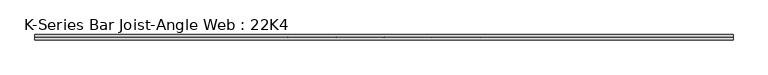
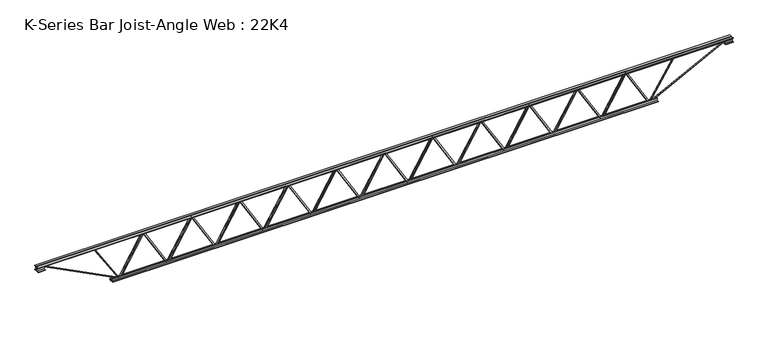
"""IFC4 building model written with IfcOpenShell, lengths in millimetres: beam geometry, K-Series Bar Joist-Angle Web : 22K4."""

import ifcopenshell
import ifcopenshell.guid

model = None  # the IFC model being written
_history = None  # IfcOwnerHistory: only IFC2X3 demands one
_inside = {}  # id of a spatial element -> (the spatial element, [elements in it])
_under = {}  # id of a project, library or spatial element -> (it, [spatial elements below it])
_declared = {}  # id of a project -> (the project, [libraries it declares])
_typed = {}  # id of a type object -> (the type object, [elements of that type])
_made_of = {}  # id of a material, layer set ... -> (it, [elements and type objects made of it])


def new_model(schema):
    """Start an empty IFC model of exactly this schema.

    Asked for "IFC4X3", IfcOpenShell would pick the latest addendum, in which some entities
    have other attributes; the version numbers below select the first issue.
    IFC2X3 requires an IfcOwnerHistory on every rooted entity: one is made here for all.
    """
    global model, _history
    if schema == "IFC4X3":
        model = ifcopenshell.file(schema_version=(4, 3, 0, 0))
    else:
        model = ifcopenshell.file(schema=schema)
    _inside.clear()
    _under.clear()
    _declared.clear()
    _typed.clear()
    _made_of.clear()
    _history = None
    if model.schema == "IFC2X3":
        org = make("IfcOrganization", Name="unknown")
        user = make(
            "IfcPersonAndOrganization",
            ThePerson=make("IfcPerson", FamilyName="unknown"),
            TheOrganization=org,
        )
        app = make(
            "IfcApplication",
            ApplicationDeveloper=org,
            Version="unknown",
            ApplicationFullName="unknown",
            ApplicationIdentifier="unknown",
        )
        _history = make(
            "IfcOwnerHistory",
            OwningUser=user,
            OwningApplication=app,
            ChangeAction="ADDED",
            CreationDate=0,
        )
    return model


def make(cls, **values):
    """One entity of the class cls with the attributes given. An attribute that is None is left unset."""
    return model.create_entity(
        cls, **{name: value for name, value in values.items() if value is not None}
    )


def rooted(cls, **values):
    """An entity with a GlobalId (a new one), such as an element, a storey or a relation."""
    return make(cls, GlobalId=ifcopenshell.guid.new(), OwnerHistory=_history, **values)


def si_unit(unit_type, name, prefix=None):
    """IfcSIUnit, for example si_unit("LENGTHUNIT", "METRE", prefix="MILLI")."""
    return make("IfcSIUnit", UnitType=unit_type, Prefix=prefix, Name=name)


def assignment(units):
    """IfcUnitAssignment: the units of a project."""
    return None if units is None else make("IfcUnitAssignment", Units=units)


def point(xyz):
    """IfcCartesianPoint."""
    return None if xyz is None else make("IfcCartesianPoint", Coordinates=xyz)


def direction(xyz):
    """IfcDirection."""
    return None if xyz is None else make("IfcDirection", DirectionRatios=xyz)


def frame(location, z_axis=None, x_axis=None):
    """IfcAxis2Placement3D, a coordinate frame: its origin and axes. An axis left out is left unset."""
    return make(
        "IfcAxis2Placement3D",
        Location=point(location),
        Axis=direction(z_axis),
        RefDirection=direction(x_axis),
    )


def origin():
    """The frame at (0, 0, 0) with its axes left unset."""
    return frame((0.0, 0.0, 0.0))


def place(relative_to, where):
    """IfcLocalPlacement: puts the frame where relative to a parent placement (None: the world)."""
    return make(
        "IfcLocalPlacement", PlacementRelTo=relative_to, RelativePlacement=where
    )


def context(
    kind, dimensions, precision=None, world=None, true_north=None, identifier=None
):
    """IfcGeometricRepresentationContext, for example the 3D "Model" context."""
    return make(
        "IfcGeometricRepresentationContext",
        ContextIdentifier=identifier,
        ContextType=kind,
        CoordinateSpaceDimension=dimensions,
        Precision=precision,
        WorldCoordinateSystem=world,
        TrueNorth=true_north,
    )


def project(units=None, contexts=None):
    """IfcProject with its units and contexts."""
    return rooted(
        "IfcProject",
        Name="project",
        RepresentationContexts=contexts,
        UnitsInContext=assignment(units),
    )


def spatial(cls, under=None, at=None, **own):
    """A site, building, storey or space (cls), placed at a placement, below another one or the project."""
    s = rooted(cls, ObjectPlacement=at, **own)
    if under is not None:
        _under.setdefault(under.id(), (under, []))[1].append(s)
    return s


def polyline(points):
    """IfcPolyline through the points."""
    return make("IfcPolyline", Points=[point(p) for p in points])


def outline(outer, holes=None, kind="AREA"):
    """IfcArbitraryClosedProfileDef: a profile drawn as a closed curve; with holes, ...WithVoids."""
    if holes is None:
        return make("IfcArbitraryClosedProfileDef", ProfileType=kind, OuterCurve=outer)
    return make(
        "IfcArbitraryProfileDefWithVoids",
        ProfileType=kind,
        OuterCurve=outer,
        InnerCurves=holes,
    )


def extrude(swept, where, along, depth):
    """IfcExtrudedAreaSolid: the profile swept, set in the frame where, extruded along a direction by depth."""
    return make(
        "IfcExtrudedAreaSolid",
        SweptArea=swept,
        Position=where,
        ExtrudedDirection=direction(along),
        Depth=depth,
    )


def faces_of(points, faces, orient=None, outer=None):
    """IfcFace entities. A face is a list of loops; a loop is a list of indices into points, from 0.

    orient and outer hold one flag for each loop. By default every Orientation is true, the
    first loop of a face is its IfcFaceOuterBound and the others are IfcFaceBound.
    """
    made = []
    for i, loops in enumerate(faces):
        bounds = []
        for j, loop in enumerate(loops):
            is_outer = j == 0 if outer is None else outer[i][j]
            bounds.append(
                make(
                    "IfcFaceOuterBound" if is_outer else "IfcFaceBound",
                    Bound=make("IfcPolyLoop", Polygon=[points[k] for k in loop]),
                    Orientation=True if orient is None else orient[i][j],
                )
            )
        made.append(make("IfcFace", Bounds=bounds))
    return made


def faceted_brep(points, faces, orient=None, outer=None, voids=None):
    """IfcFacetedBrep: a solid bounded by flat faces; with voids (closed shells), ...WithVoids."""
    shared = [point(p) for p in points]
    hull = make("IfcClosedShell", CfsFaces=faces_of(shared, faces, orient, outer))
    if voids is None:
        return make("IfcFacetedBrep", Outer=hull)
    return make(
        "IfcFacetedBrepWithVoids",
        Outer=hull,
        Voids=[
            make(cls, CfsFaces=faces_of(shared, fs, o, b)) for cls, fs, o, b in voids
        ],
    )


def shape(context_of_items, identifier, shape_type, items):
    """IfcShapeRepresentation: the items that make up one representation, for example the "Body"."""
    return make(
        "IfcShapeRepresentation",
        ContextOfItems=context_of_items,
        RepresentationIdentifier=identifier,
        RepresentationType=shape_type,
        Items=items,
    )


def source(mapping_origin, context_of_items, identifier, shape_type, items):
    """IfcRepresentationMap: a shape defined once, which mapped items show again and again."""
    return make(
        "IfcRepresentationMap",
        MappingOrigin=mapping_origin,
        MappedRepresentation=shape(context_of_items, identifier, shape_type, items),
    )


def transform(
    local_origin,
    x_axis=None,
    y_axis=None,
    z_axis=None,
    scale=None,
    scale2=None,
    scale3=None,
    uniform=True,
):
    """IfcCartesianTransformationOperator3D, or its non-uniform kind. x_axis, y_axis, z_axis: its Axis1, 2, 3."""
    if uniform:
        return make(
            "IfcCartesianTransformationOperator3D",
            Axis1=direction(x_axis),
            Axis2=direction(y_axis),
            LocalOrigin=point(local_origin),
            Scale=scale,
            Axis3=direction(z_axis),
        )
    return make(
        "IfcCartesianTransformationOperator3DnonUniform",
        Axis1=direction(x_axis),
        Axis2=direction(y_axis),
        LocalOrigin=point(local_origin),
        Scale=scale,
        Axis3=direction(z_axis),
        Scale2=scale2,
        Scale3=scale3,
    )


def mapped(mapping_source, mapping_target):
    """IfcMappedItem: shows the shape of a source again, moved by a transform."""
    return make(
        "IfcMappedItem", MappingSource=mapping_source, MappingTarget=mapping_target
    )


def made_of(thing, what):
    """Note that an element or type object is made of a material, layer set ...; save() writes the relation."""
    if what is not None:
        _made_of.setdefault(what.id(), (what, []))[1].append(thing)
    return thing


def element(
    cls,
    number,
    at=None,
    inside=None,
    cuts=None,
    type_object=None,
    material=None,
    context=None,
    identifier="Body",
    shape_type=None,
    held_by="IfcProductDefinitionShape",
    body=None,
    shapes=None,
    **own,
):
    """One element of the class cls, such as IfcWall. Its Tag is "e" and its number.

    at: its placement. inside: the storey or other place that contains it. cuts: it is an
    opening in that element (IfcRelVoidsElement). A single representation is given by context,
    identifier, shape_type and body (its items); several are given by shapes. held_by: the class
    of the entity that holds the representations. save() writes the other relations.
    """
    e = rooted(cls, Tag="e%d" % number, ObjectPlacement=at, **own)
    if body is not None:
        shapes = [shape(context, identifier, shape_type, body)]
    if shapes is not None:
        e.Representation = make(held_by, Representations=shapes)
    if inside is not None:
        _inside.setdefault(inside.id(), (inside, []))[1].append(e)
    if cuts is not None:
        rooted(
            "IfcRelVoidsElement", RelatingBuildingElement=cuts, RelatedOpeningElement=e
        )
    if type_object is not None:
        _typed.setdefault(type_object.id(), (type_object, []))[1].append(e)
    return made_of(e, material)


def aggregate(whole, parts):
    """IfcRelAggregates: a whole, such as a stair, and the parts it consists of."""
    return rooted("IfcRelAggregates", RelatingObject=whole, RelatedObjects=parts)


def save(model, path):
    """Write the relations noted so far, then the file.

    IfcRelAggregates (storeys below a building ...), IfcRelContainedInSpatialStructure (elements
    in a storey), IfcRelDefinesByType, IfcRelAssociatesMaterial and IfcRelDeclares: one each for
    every whole, place, type object, material and project.
    """
    for whole, parts in _under.values():
        aggregate(whole, parts)
    for where, things in _inside.values():
        rooted(
            "IfcRelContainedInSpatialStructure",
            RelatedElements=things,
            RelatingStructure=where,
        )
    for kind, things in _typed.values():
        rooted("IfcRelDefinesByType", RelatedObjects=things, RelatingType=kind)
    for what, things in _made_of.values():
        rooted("IfcRelAssociatesMaterial", RelatedObjects=things, RelatingMaterial=what)
    for by, libraries in _declared.values():
        rooted("IfcRelDeclares", RelatingContext=by, RelatedDefinitions=libraries)
    model.write(path)


def k_series_bar_joist_angle_web_22k4_2be9bba6(model_context):
    return source(origin(), model_context, "Body", "SolidModel", [
        extrude(outline(polyline([(-4.7625, 4.7625), (-4.7625, 0.0), (-17.4625, 0.0), (-17.4625, 4.7625), (-4.7625, 4.7625)])), frame((2918.6057691, 0.0, -241.3), z_axis=(-0.50881562940005, 0.0, 0.8608755167143686), x_axis=(0.0, -1.0, 0.0)), (0.0, 0.0, 1.0), 560.592084),
        extrude(outline(polyline([(-276.225, 2951.0326136), (-257.175, 2951.0326136), (-257.175, 2950.1172334), (276.225, 2634.8541653), (276.225, 2616.7195455), (257.175, 2616.7195455), (257.175, 2623.9849257), (-276.225, 2939.2479938), (-276.225, 2951.0326136)])), frame((0.0, 0.0, 0.0), z_axis=(0.0, 1.0, 0.0), x_axis=(0.0, 0.0, 1.0)), (0.0, 0.0, 1.0), 4.7625),
        faceted_brep([(2295.1064773, 0.0, -257.175), (2295.1064773, 0.0, -276.225), (2295.1064773, -4.7625, -276.225), (2295.1064773, -4.7625, -257.175), (2296.0218575, 0.0, -257.175), (2611.2849257, 0.0, 276.225), (2629.4195455, 0.0, 276.225), (2629.4195455, 0.0, 257.175), (2622.1541653, 0.0, 257.175), (2306.8910971, 0.0, -276.225), (2306.8910971, -4.7625, -276.225), (2327.5333218, -4.7625, -241.3), (2323.4334021, -4.7625, -238.8767656), (2608.6714162, -4.7625, 243.7232344), (2612.7713358, -4.7625, 241.3), (2622.1541653, -4.7625, 257.175), (2629.4195455, -4.7625, 257.175), (2629.4195455, -4.7625, 276.225), (2611.2849257, -4.7625, 276.225), (2296.0218575, -4.7625, -257.175), (2612.7713358, -17.4625, 241.3), (2327.5333218, -17.4625, -241.3), (2323.4334021, -17.4625, -238.8767656), (2608.6714162, -17.4625, 243.7232344)], [[[0, 1, 2, 3]], [[1, 0, 4, 5, 6, 7, 8, 9]], [[2, 1, 9, 10]], [[3, 2, 10, 11, 12, 13, 14, 15, 16, 17, 18, 19]], [[0, 3, 19, 4]], [[9, 8, 15, 14, 20, 21, 11, 10]], [[5, 4, 19, 18]], [[7, 6, 17, 16]], [[8, 7, 16, 15]], [[6, 5, 18, 17]], [[21, 22, 12, 11]], [[20, 14, 13, 23]], [[22, 21, 20, 23]], [[12, 22, 23, 13]]]),
        extrude(outline(polyline([(-4.7625, 4.7624999), (-4.7625, 0.0), (-17.4625, 0.0), (-17.4625, 4.7624999), (-4.7625, 4.7624999)])), frame((2262.8383828, 0.0, -241.3), z_axis=(-0.50881562940005, 0.0, 0.8608755167143686), x_axis=(0.0, -1.0, 0.0)), (0.0, 0.0, 1.0), 560.592084),
        extrude(outline(polyline([(-276.225, 2295.2652273), (-257.175, 2295.2652273), (-257.175, 2294.3498471), (276.225, 1979.0867789), (276.225, 1960.9521591), (257.175, 1960.9521591), (257.175, 1968.2175393), (-276.225, 2283.4806075), (-276.225, 2295.2652273)])), frame((0.0, 0.0, 0.0), z_axis=(0.0, 1.0, 0.0), x_axis=(0.0, 0.0, 1.0)), (0.0, 0.0, 1.0), 4.7625),
        faceted_brep([(1639.3390909, 0.0, -257.175), (1639.3390909, 0.0, -276.225), (1639.3390909, -4.7625, -276.225), (1639.3390909, -4.7625, -257.175), (1640.2544711, 0.0, -257.175), (1955.5175393, 0.0, 276.225), (1973.6521591, 0.0, 276.225), (1973.6521591, 0.0, 257.175), (1966.3867789, 0.0, 257.175), (1651.1237107, 0.0, -276.225), (1651.1237107, -4.7625, -276.225), (1671.7659354, -4.7625, -241.3), (1667.6660158, -4.7625, -238.8767656), (1952.9040298, -4.7625, 243.7232344), (1957.0039495, -4.7625, 241.3), (1966.3867789, -4.7625, 257.175), (1973.6521591, -4.7625, 257.175), (1973.6521591, -4.7625, 276.225), (1955.5175393, -4.7625, 276.225), (1640.2544711, -4.7625, -257.175), (1957.0039495, -17.4625, 241.3), (1671.7659354, -17.4625, -241.3), (1667.6660158, -17.4625, -238.8767656), (1952.9040298, -17.4625, 243.7232344)], [[[0, 1, 2, 3]], [[1, 0, 4, 5, 6, 7, 8, 9]], [[2, 1, 9, 10]], [[3, 2, 10, 11, 12, 13, 14, 15, 16, 17, 18, 19]], [[0, 3, 19, 4]], [[9, 8, 15, 14, 20, 21, 11, 10]], [[5, 4, 19, 18]], [[7, 6, 17, 16]], [[8, 7, 16, 15]], [[6, 5, 18, 17]], [[21, 22, 12, 11]], [[20, 14, 13, 23]], [[22, 21, 20, 23]], [[12, 22, 23, 13]]]),
        extrude(outline(polyline([(-4.7625, 4.7625), (-4.7625, 0.0), (-17.4625, 0.0), (-17.4625, 4.7625), (-4.7625, 4.7625)])), frame((1607.0709964, 0.0, -241.3), z_axis=(-0.50881562940005, 0.0, 0.8608755167143686), x_axis=(0.0, -1.0, 0.0)), (0.0, 0.0, 1.0), 560.592084),
        extrude(outline(polyline([(-276.225, 1639.4978409), (-257.175, 1639.4978409), (-257.175, 1638.5824607), (276.225, 1323.3193925), (276.225, 1305.1847727), (257.175, 1305.1847727), (257.175, 1312.4501529), (-276.225, 1627.7132211), (-276.225, 1639.4978409)])), frame((0.0, 0.0, 0.0), z_axis=(0.0, 1.0, 0.0), x_axis=(0.0, 0.0, 1.0)), (0.0, 0.0, 1.0), 4.7625),
        faceted_brep([(983.5717045, 0.0, -257.175), (983.5717045, 0.0, -276.225), (983.5717045, -4.7625, -276.225), (983.5717045, -4.7625, -257.175), (984.4870847, 0.0, -257.175), (1299.7501529, 0.0, 276.225), (1317.8847727, 0.0, 276.225), (1317.8847727, 0.0, 257.175), (1310.6193925, 0.0, 257.175), (995.3563243, 0.0, -276.225), (995.3563243, -4.7625, -276.225), (1015.998549, -4.7625, -241.3), (1011.8986294, -4.7625, -238.8767656), (1297.1366435, -4.7625, 243.7232344), (1301.2365631, -4.7625, 241.3), (1310.6193925, -4.7625, 257.175), (1317.8847727, -4.7625, 257.175), (1317.8847727, -4.7625, 276.225), (1299.7501529, -4.7625, 276.225), (984.4870847, -4.7625, -257.175), (1301.2365631, -17.4625, 241.3), (1015.998549, -17.4625, -241.3), (1011.8986294, -17.4625, -238.8767656), (1297.1366435, -17.4625, 243.7232344)], [[[0, 1, 2, 3]], [[1, 0, 4, 5, 6, 7, 8, 9]], [[2, 1, 9, 10]], [[3, 2, 10, 11, 12, 13, 14, 15, 16, 17, 18, 19]], [[0, 3, 19, 4]], [[9, 8, 15, 14, 20, 21, 11, 10]], [[5, 4, 19, 18]], [[7, 6, 17, 16]], [[8, 7, 16, 15]], [[6, 5, 18, 17]], [[21, 22, 12, 11]], [[20, 14, 13, 23]], [[22, 21, 20, 23]], [[12, 22, 23, 13]]]),
        extrude(outline(polyline([(-4.7625, 4.7625), (-4.7625, 0.0), (-17.4625, 0.0), (-17.4625, 4.7625), (-4.7625, 4.7625)])), frame((951.30361, 0.0, -241.3), z_axis=(-0.50881562940005, 0.0, 0.8608755167143686), x_axis=(0.0, -1.0, 0.0)), (0.0, 0.0, 1.0), 560.592084),
        extrude(outline(polyline([(-276.225, 983.7304545), (-257.175, 983.7304545), (-257.175, 982.8150743), (276.225, 667.5520062), (276.225, 649.4173864), (257.175, 649.4173864), (257.175, 656.6827666), (-276.225, 971.9458347), (-276.225, 983.7304545)])), frame((0.0, 0.0, 0.0), z_axis=(0.0, 1.0, 0.0), x_axis=(0.0, 0.0, 1.0)), (0.0, 0.0, 1.0), 4.7625),
        faceted_brep([(327.8043182, 0.0, -257.175), (327.8043182, 0.0, -276.225), (327.8043182, -4.7625, -276.225), (327.8043182, -4.7625, -257.175), (328.7196984, 0.0, -257.175), (643.9827666, 0.0, 276.225), (662.1173864, 0.0, 276.225), (662.1173864, 0.0, 257.175), (654.8520062, 0.0, 257.175), (339.588938, 0.0, -276.225), (339.588938, -4.7625, -276.225), (360.2311627, -4.7625, -241.3), (356.131243, -4.7625, -238.8767656), (641.3692571, -4.7625, 243.7232344), (645.4691768, -4.7625, 241.3), (654.8520062, -4.7625, 257.175), (662.1173864, -4.7625, 257.175), (662.1173864, -4.7625, 276.225), (643.9827666, -4.7625, 276.225), (328.7196984, -4.7625, -257.175), (645.4691768, -17.4625, 241.3), (360.2311627, -17.4625, -241.3), (356.131243, -17.4625, -238.8767656), (641.3692571, -17.4625, 243.7232344)], [[[0, 1, 2, 3]], [[1, 0, 4, 5, 6, 7, 8, 9]], [[2, 1, 9, 10]], [[3, 2, 10, 11, 12, 13, 14, 15, 16, 17, 18, 19]], [[0, 3, 19, 4]], [[9, 8, 15, 14, 20, 21, 11, 10]], [[5, 4, 19, 18]], [[7, 6, 17, 16]], [[8, 7, 16, 15]], [[6, 5, 18, 17]], [[21, 22, 12, 11]], [[20, 14, 13, 23]], [[22, 21, 20, 23]], [[12, 22, 23, 13]]]),
        extrude(outline(polyline([(-4.7625, 4.7624999), (-4.7625, 0.0), (-17.4625, 0.0), (-17.4625, 4.7624999), (-4.7625, 4.7624999)])), frame((295.5362237, 0.0, -241.3), z_axis=(-0.50881562940005, 0.0, 0.8608755167143686), x_axis=(0.0, -1.0, 0.0)), (0.0, 0.0, 1.0), 560.592084),
        extrude(outline(polyline([(-276.225, 327.9630682), (-257.175, 327.9630682), (-257.175, 327.047688), (276.225, 11.7846198), (276.225, -6.35), (257.175, -6.35), (257.175, 0.9153802), (-276.225, 316.1784484), (-276.225, 327.9630682)])), frame((0.0, 0.0, 0.0), z_axis=(0.0, 1.0, 0.0), x_axis=(0.0, 0.0, 1.0)), (0.0, 0.0, 1.0), 4.7625),
        faceted_brep([(-327.9630682, 0.0, -257.175), (-327.9630682, 0.0, -276.225), (-327.9630682, -4.7625, -276.225), (-327.9630682, -4.7625, -257.175), (-327.047688, 0.0, -257.175), (-11.7846198, 0.0, 276.225), (6.35, 0.0, 276.225), (6.35, 0.0, 257.175), (-0.9153802, 0.0, 257.175), (-316.1784484, 0.0, -276.225), (-316.1784484, -4.7625, -276.225), (-295.5362237, -4.7625, -241.3), (-299.6361433, -4.7625, -238.8767656), (-14.3981293, -4.7625, 243.7232344), (-10.2982096, -4.7625, 241.3), (-0.9153802, -4.7625, 257.175), (6.35, -4.7625, 257.175), (6.35, -4.7625, 276.225), (-11.7846198, -4.7625, 276.225), (-327.047688, -4.7625, -257.175), (-10.2982096, -17.4625, 241.3), (-295.5362237, -17.4625, -241.3), (-299.6361433, -17.4625, -238.8767656), (-14.3981293, -17.4625, 243.7232344)], [[[0, 1, 2, 3]], [[1, 0, 4, 5, 6, 7, 8, 9]], [[2, 1, 9, 10]], [[3, 2, 10, 11, 12, 13, 14, 15, 16, 17, 18, 19]], [[0, 3, 19, 4]], [[9, 8, 15, 14, 20, 21, 11, 10]], [[5, 4, 19, 18]], [[7, 6, 17, 16]], [[8, 7, 16, 15]], [[6, 5, 18, 17]], [[21, 22, 12, 11]], [[20, 14, 13, 23]], [[22, 21, 20, 23]], [[12, 22, 23, 13]]]),
        extrude(outline(polyline([(-4.7625, 4.7625), (-4.7625, 0.0), (-17.4625, 0.0), (-17.4625, 4.7625), (-4.7625, 4.7625)])), frame((-360.2311627, 0.0, -241.3), z_axis=(-0.50881562940005, 0.0, 0.8608755167143686), x_axis=(0.0, -1.0, 0.0)), (0.0, 0.0, 1.0), 560.592084),
        extrude(outline(polyline([(-276.225, -327.8043182), (-257.175, -327.8043182), (-257.175, -328.7196984), (276.225, -643.9827666), (276.225, -662.1173864), (257.175, -662.1173864), (257.175, -654.8520062), (-276.225, -339.588938), (-276.225, -327.8043182)])), frame((0.0, 0.0, 0.0), z_axis=(0.0, 1.0, 0.0), x_axis=(0.0, 0.0, 1.0)), (0.0, 0.0, 1.0), 4.7625),
        faceted_brep([(-983.7304545, 0.0, -257.175), (-983.7304545, 0.0, -276.225), (-983.7304545, -4.7625, -276.225), (-983.7304545, -4.7625, -257.175), (-982.8150743, 0.0, -257.175), (-667.5520062, 0.0, 276.225), (-649.4173864, 0.0, 276.225), (-649.4173864, 0.0, 257.175), (-656.6827666, 0.0, 257.175), (-971.9458347, 0.0, -276.225), (-971.9458347, -4.7625, -276.225), (-951.30361, -4.7625, -241.3), (-955.4035297, -4.7625, -238.8767656), (-670.1655156, -4.7625, 243.7232344), (-666.065596, -4.7625, 241.3), (-656.6827666, -4.7625, 257.175), (-649.4173864, -4.7625, 257.175), (-649.4173864, -4.7625, 276.225), (-667.5520062, -4.7625, 276.225), (-982.8150743, -4.7625, -257.175), (-666.065596, -17.4625, 241.3), (-951.30361, -17.4625, -241.3), (-955.4035297, -17.4625, -238.8767656), (-670.1655156, -17.4625, 243.7232344)], [[[0, 1, 2, 3]], [[1, 0, 4, 5, 6, 7, 8, 9]], [[2, 1, 9, 10]], [[3, 2, 10, 11, 12, 13, 14, 15, 16, 17, 18, 19]], [[0, 3, 19, 4]], [[9, 8, 15, 14, 20, 21, 11, 10]], [[5, 4, 19, 18]], [[7, 6, 17, 16]], [[8, 7, 16, 15]], [[6, 5, 18, 17]], [[21, 22, 12, 11]], [[20, 14, 13, 23]], [[22, 21, 20, 23]], [[12, 22, 23, 13]]]),
        extrude(outline(polyline([(-4.7625, 4.7624999), (-4.7625, 0.0), (-17.4625, 0.0), (-17.4625, 4.7624999), (-4.7625, 4.7624999)])), frame((-1015.998549, 0.0, -241.3), z_axis=(-0.50881562940005, 0.0, 0.8608755167143686), x_axis=(0.0, -1.0, 0.0)), (0.0, 0.0, 1.0), 560.592084),
        extrude(outline(polyline([(-276.225, -983.5717045), (-257.175, -983.5717045), (-257.175, -984.4870847), (276.225, -1299.7501529), (276.225, -1317.8847727), (257.175, -1317.8847727), (257.175, -1310.6193925), (-276.225, -995.3563243), (-276.225, -983.5717045)])), frame((0.0, 0.0, 0.0), z_axis=(0.0, 1.0, 0.0), x_axis=(0.0, 0.0, 1.0)), (0.0, 0.0, 1.0), 4.7625),
        faceted_brep([(-1639.4978409, 0.0, -257.175), (-1639.4978409, 0.0, -276.225), (-1639.4978409, -4.7625, -276.225), (-1639.4978409, -4.7625, -257.175), (-1638.5824607, 0.0, -257.175), (-1323.3193925, 0.0, 276.225), (-1305.1847727, 0.0, 276.225), (-1305.1847727, 0.0, 257.175), (-1312.4501529, 0.0, 257.175), (-1627.7132211, 0.0, -276.225), (-1627.7132211, -4.7625, -276.225), (-1607.0709964, -4.7625, -241.3), (-1611.1709161, -4.7625, -238.8767656), (-1325.932902, -4.7625, 243.7232344), (-1321.8329823, -4.7625, 241.3), (-1312.4501529, -4.7625, 257.175), (-1305.1847727, -4.7625, 257.175), (-1305.1847727, -4.7625, 276.225), (-1323.3193925, -4.7625, 276.225), (-1638.5824607, -4.7625, -257.175), (-1321.8329823, -17.4625, 241.3), (-1607.0709964, -17.4625, -241.3), (-1611.1709161, -17.4625, -238.8767656), (-1325.932902, -17.4625, 243.7232344)], [[[0, 1, 2, 3]], [[1, 0, 4, 5, 6, 7, 8, 9]], [[2, 1, 9, 10]], [[3, 2, 10, 11, 12, 13, 14, 15, 16, 17, 18, 19]], [[0, 3, 19, 4]], [[9, 8, 15, 14, 20, 21, 11, 10]], [[5, 4, 19, 18]], [[7, 6, 17, 16]], [[8, 7, 16, 15]], [[6, 5, 18, 17]], [[21, 22, 12, 11]], [[20, 14, 13, 23]], [[22, 21, 20, 23]], [[12, 22, 23, 13]]]),
        extrude(outline(polyline([(-4.7625, 4.7624999), (-4.7625, 0.0), (-17.4625, 0.0), (-17.4625, 4.7624999), (-4.7625, 4.7624999)])), frame((-1671.7659354, 0.0, -241.3), z_axis=(-0.50881562940005, 0.0, 0.8608755167143686), x_axis=(0.0, -1.0, 0.0)), (0.0, 0.0, 1.0), 560.592084),
        extrude(outline(polyline([(-276.225, -1639.3390909), (-257.175, -1639.3390909), (-257.175, -1640.2544711), (276.225, -1955.5175393), (276.225, -1973.6521591), (257.175, -1973.6521591), (257.175, -1966.3867789), (-276.225, -1651.1237107), (-276.225, -1639.3390909)])), frame((0.0, 0.0, 0.0), z_axis=(0.0, 1.0, 0.0), x_axis=(0.0, 0.0, 1.0)), (0.0, 0.0, 1.0), 4.7625),
        faceted_brep([(-2295.2652273, 0.0, -257.175), (-2295.2652273, 0.0, -276.225), (-2295.2652273, -4.7625, -276.225), (-2295.2652273, -4.7625, -257.175), (-2294.3498471, 0.0, -257.175), (-1979.0867789, 0.0, 276.225), (-1960.9521591, 0.0, 276.225), (-1960.9521591, 0.0, 257.175), (-1968.2175393, 0.0, 257.175), (-2283.4806075, 0.0, -276.225), (-2283.4806075, -4.7625, -276.225), (-2262.8383828, -4.7625, -241.3), (-2266.9383024, -4.7625, -238.8767656), (-1981.7002883, -4.7625, 243.7232344), (-1977.6003687, -4.7625, 241.3), (-1968.2175393, -4.7625, 257.175), (-1960.9521591, -4.7625, 257.175), (-1960.9521591, -4.7625, 276.225), (-1979.0867789, -4.7625, 276.225), (-2294.3498471, -4.7625, -257.175), (-1977.6003687, -17.4625, 241.3), (-2262.8383828, -17.4625, -241.3), (-2266.9383024, -17.4625, -238.8767656), (-1981.7002883, -17.4625, 243.7232344)], [[[0, 1, 2, 3]], [[1, 0, 4, 5, 6, 7, 8, 9]], [[2, 1, 9, 10]], [[3, 2, 10, 11, 12, 13, 14, 15, 16, 17, 18, 19]], [[0, 3, 19, 4]], [[9, 8, 15, 14, 20, 21, 11, 10]], [[5, 4, 19, 18]], [[7, 6, 17, 16]], [[8, 7, 16, 15]], [[6, 5, 18, 17]], [[21, 22, 12, 11]], [[20, 14, 13, 23]], [[22, 21, 20, 23]], [[12, 22, 23, 13]]]),
        extrude(outline(polyline([(-4.7625, 4.7625), (-4.7625, 0.0), (-17.4625, 0.0), (-17.4625, 4.7625), (-4.7625, 4.7625)])), frame((-2327.5333218, 0.0, -241.3), z_axis=(-0.50881562940005, 0.0, 0.8608755167143686), x_axis=(0.0, -1.0, 0.0)), (0.0, 0.0, 1.0), 560.592084),
        extrude(outline(polyline([(-276.225, -2295.1064773), (-257.175, -2295.1064773), (-257.175, -2296.0218575), (276.225, -2611.2849257), (276.225, -2629.4195455), (257.175, -2629.4195455), (257.175, -2622.1541653), (-276.225, -2306.8910971), (-276.225, -2295.1064773)])), frame((0.0, 0.0, 0.0), z_axis=(0.0, 1.0, 0.0), x_axis=(0.0, 0.0, 1.0)), (0.0, 0.0, 1.0), 4.7625),
        faceted_brep([(-2951.0326136, 0.0, -257.175), (-2951.0326136, 0.0, -276.225), (-2951.0326136, -4.7625, -276.225), (-2951.0326136, -4.7625, -257.175), (-2950.1172334, 0.0, -257.175), (-2634.8541653, 0.0, 276.225), (-2616.7195455, 0.0, 276.225), (-2616.7195455, 0.0, 257.175), (-2623.9849257, 0.0, 257.175), (-2939.2479938, 0.0, -276.225), (-2939.2479938, -4.7625, -276.225), (-2918.6057691, -4.7625, -241.3), (-2922.7056888, -4.7625, -238.8767656), (-2637.4676747, -4.7625, 243.7232344), (-2633.3677551, -4.7625, 241.3), (-2623.9849257, -4.7625, 257.175), (-2616.7195455, -4.7625, 257.175), (-2616.7195455, -4.7625, 276.225), (-2634.8541653, -4.7625, 276.225), (-2950.1172334, -4.7625, -257.175), (-2633.3677551, -17.4625, 241.3), (-2918.6057691, -17.4625, -241.3), (-2922.7056888, -17.4625, -238.8767656), (-2637.4676747, -17.4625, 243.7232344)], [[[0, 1, 2, 3]], [[1, 0, 4, 5, 6, 7, 8, 9]], [[2, 1, 9, 10]], [[3, 2, 10, 11, 12, 13, 14, 15, 16, 17, 18, 19]], [[0, 3, 19, 4]], [[9, 8, 15, 14, 20, 21, 11, 10]], [[5, 4, 19, 18]], [[7, 6, 17, 16]], [[8, 7, 16, 15]], [[6, 5, 18, 17]], [[21, 22, 12, 11]], [[20, 14, 13, 23]], [[22, 21, 20, 23]], [[12, 22, 23, 13]]]),
        extrude(outline(polyline([(-4.7625, 4.7624999), (-4.7625, 0.0), (-17.4625, 0.0), (-17.4625, 4.7624999), (-4.7625, 4.7624999)])), frame((3574.3731555, 0.0, -241.3), z_axis=(-0.50881562940005, 0.0, 0.8608755167143686), x_axis=(0.0, -1.0, 0.0)), (0.0, 0.0, 1.0), 560.592084),
        extrude(outline(polyline([(-276.225, 3606.8), (-257.175, 3606.8), (-257.175, 3605.8846198), (276.225, 3290.6215516), (276.225, 3272.4869318), (257.175, 3272.4869318), (257.175, 3279.752312), (-276.225, 3595.0153802), (-276.225, 3606.8)])), frame((0.0, 0.0, 0.0), z_axis=(0.0, 1.0, 0.0), x_axis=(0.0, 0.0, 1.0)), (0.0, 0.0, 1.0), 4.7625),
        faceted_brep([(2950.8738636, 0.0, -257.175), (2950.8738636, 0.0, -276.225), (2950.8738636, -4.7625, -276.225), (2950.8738636, -4.7625, -257.175), (2951.7892438, 0.0, -257.175), (3267.052312, 0.0, 276.225), (3285.1869318, 0.0, 276.225), (3285.1869318, 0.0, 257.175), (3277.9215516, 0.0, 257.175), (2962.6584834, 0.0, -276.225), (2962.6584834, -4.7625, -276.225), (2983.3007081, -4.7625, -241.3), (2979.2007885, -4.7625, -238.8767656), (3264.4388026, -4.7625, 243.7232344), (3268.5387222, -4.7625, 241.3), (3277.9215516, -4.7625, 257.175), (3285.1869318, -4.7625, 257.175), (3285.1869318, -4.7625, 276.225), (3267.052312, -4.7625, 276.225), (2951.7892438, -4.7625, -257.175), (3268.5387222, -17.4625, 241.3), (2983.3007081, -17.4625, -241.3), (2979.2007885, -17.4625, -238.8767656), (3264.4388026, -17.4625, 243.7232344)], [[[0, 1, 2, 3]], [[1, 0, 4, 5, 6, 7, 8, 9]], [[2, 1, 9, 10]], [[3, 2, 10, 11, 12, 13, 14, 15, 16, 17, 18, 19]], [[0, 3, 19, 4]], [[9, 8, 15, 14, 20, 21, 11, 10]], [[5, 4, 19, 18]], [[7, 6, 17, 16]], [[8, 7, 16, 15]], [[6, 5, 18, 17]], [[21, 22, 12, 11]], [[20, 14, 13, 23]], [[22, 21, 20, 23]], [[12, 22, 23, 13]]]),
        extrude(outline(polyline([(-4.7625, 4.7624999), (-4.7625, 0.0), (-17.4625, 0.0), (-17.4625, 4.7624999), (-4.7625, 4.7624999)])), frame((-2983.3007081, 0.0, -241.3), z_axis=(-0.50881562940005, 0.0, 0.8608755167143686), x_axis=(0.0, -1.0, 0.0)), (0.0, 0.0, 1.0), 560.592084),
        extrude(outline(polyline([(-276.225, -2950.8738636), (-257.175, -2950.8738636), (-257.175, -2951.7892438), (276.225, -3267.052312), (276.225, -3285.1869318), (257.175, -3285.1869318), (257.175, -3277.9215516), (-276.225, -2962.6584834), (-276.225, -2950.8738636)])), frame((0.0, 0.0, 0.0), z_axis=(0.0, 1.0, 0.0), x_axis=(0.0, 0.0, 1.0)), (0.0, 0.0, 1.0), 4.7625),
        faceted_brep([(-3606.8, 0.0, -257.175), (-3606.8, 0.0, -276.225), (-3606.8, -4.7625, -276.225), (-3606.8, -4.7625, -257.175), (-3605.8846198, 0.0, -257.175), (-3290.6215516, 0.0, 276.225), (-3272.4869318, 0.0, 276.225), (-3272.4869318, 0.0, 257.175), (-3279.752312, 0.0, 257.175), (-3595.0153802, 0.0, -276.225), (-3595.0153802, -4.7625, -276.225), (-3574.3731555, -4.7625, -241.3), (-3578.4730751, -4.7625, -238.8767656), (-3293.2350611, -4.7625, 243.7232344), (-3289.1351414, -4.7625, 241.3), (-3279.752312, -4.7625, 257.175), (-3272.4869318, -4.7625, 257.175), (-3272.4869318, -4.7625, 276.225), (-3290.6215516, -4.7625, 276.225), (-3605.8846198, -4.7625, -257.175), (-3289.1351414, -17.4625, 241.3), (-3574.3731555, -17.4625, -241.3), (-3578.4730751, -17.4625, -238.8767656), (-3293.2350611, -17.4625, 243.7232344)], [[[0, 1, 2, 3]], [[1, 0, 4, 5, 6, 7, 8, 9]], [[2, 1, 9, 10]], [[3, 2, 10, 11, 12, 13, 14, 15, 16, 17, 18, 19]], [[0, 3, 19, 4]], [[9, 8, 15, 14, 20, 21, 11, 10]], [[5, 4, 19, 18]], [[7, 6, 17, 16]], [[8, 7, 16, 15]], [[6, 5, 18, 17]], [[21, 22, 12, 11]], [[20, 14, 13, 23]], [[22, 21, 20, 23]], [[12, 22, 23, 13]]]),
        extrude(outline(polyline([(4.7625, 279.4), (36.5125, 279.4), (36.5125, 273.05), (11.1125, 273.05), (11.1125, 247.65), (4.7625, 247.65), (4.7625, 279.4)])), frame((-4724.4, 0.0, 0.0), z_axis=(1.0, 0.0, 0.0), x_axis=(0.0, 1.0, 0.0)), (0.0, 0.0, 1.0), 9448.8),
        extrude(outline(polyline([(-4.7625, 279.4), (-4.7625, 247.65), (-11.1125, 247.65), (-11.1125, 273.05), (-36.5125, 273.05), (-36.5125, 279.4), (-4.7625, 279.4)])), frame((-4724.4, 0.0, 0.0), z_axis=(1.0, 0.0, 0.0), x_axis=(0.0, 1.0, 0.0)), (0.0, 0.0, 1.0), 9448.8),
        extrude(outline(polyline([(-4.7625, 215.9), (-36.5125, 215.9), (-36.5125, 222.25), (-11.1125, 222.25), (-11.1125, 247.65), (-4.7625, 247.65), (-4.7625, 215.9)])), frame((-4724.4, 0.0, 0.0), z_axis=(1.0, 0.0, 0.0), x_axis=(0.0, 1.0, 0.0)), (0.0, 0.0, 1.0), 101.6),
        extrude(outline(polyline([(36.5125, 215.9), (4.7625, 215.9), (4.7625, 247.65), (11.1125, 247.65), (11.1125, 222.25), (36.5125, 222.25), (36.5125, 215.9)])), frame((-4724.4, 0.0, 0.0), z_axis=(1.0, 0.0, 0.0), x_axis=(0.0, 1.0, 0.0)), (0.0, 0.0, 1.0), 101.6),
        extrude(outline(polyline([(4.7625, 215.9), (4.7625, 247.65), (11.1125, 247.65), (11.1125, 222.25), (36.5125, 222.25), (36.5125, 215.9), (4.7625, 215.9)])), frame((4622.8, 0.0, 0.0), z_axis=(1.0, 0.0, 0.0), x_axis=(0.0, 1.0, 0.0)), (0.0, 0.0, 1.0), 101.6),
        extrude(outline(polyline([(-4.7625, 215.9), (-36.5125, 215.9), (-36.5125, 222.25), (-11.1125, 222.25), (-11.1125, 247.65), (-4.7625, 247.65), (-4.7625, 215.9)])), frame((4622.8, 0.0, 0.0), z_axis=(1.0, 0.0, 0.0), x_axis=(0.0, 1.0, 0.0)), (0.0, 0.0, 1.0), 101.6),
        extrude(outline(polyline([(4.7625, -279.4), (4.7625, -247.65), (11.1125, -247.65), (11.1125, -273.05), (36.5125, -273.05), (36.5125, -279.4), (4.7625, -279.4)])), frame((-3708.4, 0.0, 0.0), z_axis=(1.0, 0.0, 0.0), x_axis=(0.0, 1.0, 0.0)), (0.0, 0.0, 1.0), 7416.8),
        extrude(outline(polyline([(-4.7625, -279.4), (-36.5125, -279.4), (-36.5125, -273.05), (-11.1125, -273.05), (-11.1125, -247.65), (-4.7625, -247.65), (-4.7625, -279.4)])), frame((-3708.4, 0.0, 0.0), z_axis=(1.0, 0.0, 0.0), x_axis=(0.0, 1.0, 0.0)), (0.0, 0.0, 1.0), 7416.8),
        extrude(outline(polyline([(4.7625, 4.7625), (4.7625, -4.7625), (-4.7625, -4.7625), (-4.7625, 4.7625), (4.7625, 4.7625)])), frame((3606.8, 0.0, -273.05), z_axis=(0.5329469947967792, 0.0, 0.8461486280418363), x_axis=(0.0, -1.0, 0.0)), (0.0, 0.0, 1.0), 615.3765222),
        extrude(outline(polyline([(4.7625, 4.7625), (4.7625, -4.7625), (-4.7625, -4.7625), (-4.7625, 4.7625), (4.7625, 4.7625)])), frame((-3606.8, 0.0, -273.05), z_axis=(-0.5329469947967573, 0.0, 0.8461486280418501), x_axis=(0.0, -1.0, 0.0)), (0.0, 0.0, 1.0), 615.3765222),
        extrude(outline(polyline([(0.0, -9.525), (0.0, 0.0), (1141.6586574, 0.0), (1141.6586574, -9.525), (0.0, -9.525)])), frame((4624.9721324, -4.7625, 243.4116929), z_axis=(-0.45609079091009097, 0.0, 0.8899332505570335), x_axis=(-0.8899332505570335, 0.0, -0.45609079091009097)), (0.0, 0.0, 1.0), 9.525),
        extrude(outline(polyline([(0.0, -9.525), (0.0, 0.0), (1141.6586574, 0.0), (1141.6586574, -9.525), (0.0, -9.525)])), frame((-4624.9721324, 4.7625, 243.4116929), z_axis=(0.4560907909100891, 0.0, 0.8899332505570344), x_axis=(0.8899332505570344, 0.0, -0.4560907909100891)), (0.0, 0.0, 1.0), 9.525),
    ])


if __name__ == "__main__":
    model = new_model("IFC4")
    model_context = context("Model", 3, world=origin())
    ifc_project = project(units=[si_unit("LENGTHUNIT", "METRE", prefix="MILLI")], contexts=[model_context])
    site = spatial("IfcSite", under=ifc_project)
    building = spatial("IfcBuilding", under=site)
    placement = place(None, origin())
    k_series_bar_joist_angle_web_22k4_shape = k_series_bar_joist_angle_web_22k4_2be9bba6(model_context)
    element("IfcBeam", 1, ObjectType="K-Series Bar Joist-Angle Web : 22K4", at=placement, inside=building, context=model_context, shape_type="MappedRepresentation", body=[
        mapped(k_series_bar_joist_angle_web_22k4_shape, transform((0.0, 0.0, 0.0), x_axis=(1.0, 0.0, 0.0), y_axis=(0.0, 1.0, 0.0), z_axis=(0.0, 0.0, 1.0))),
    ])
    save(model, "model.ifc")
